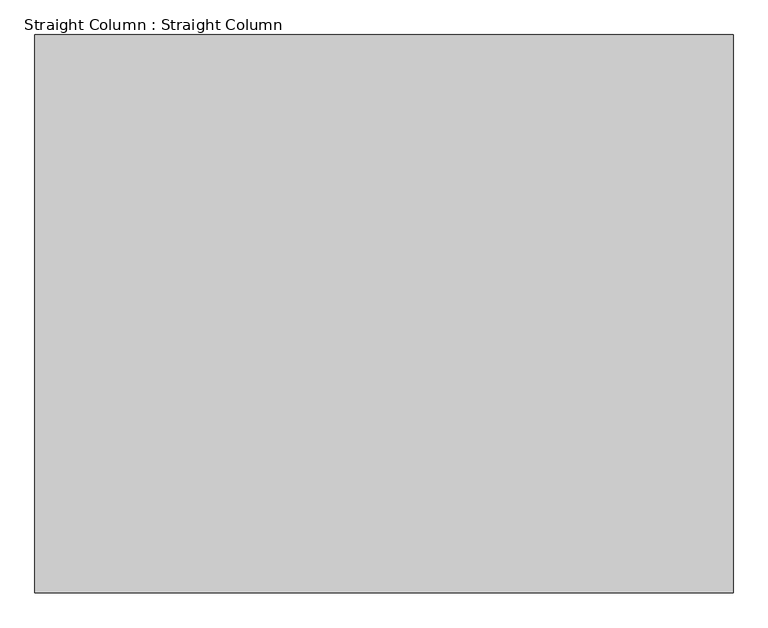
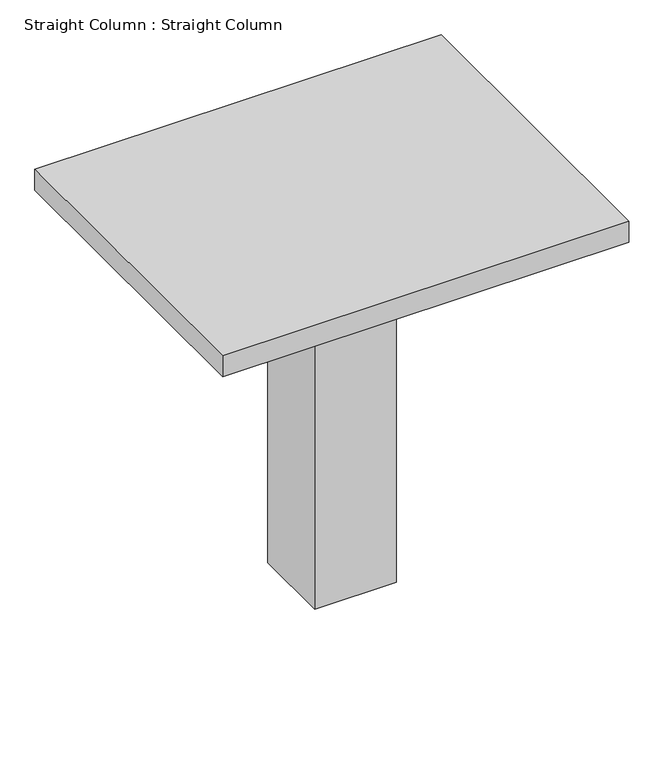
"""IFC4 building model written with IfcOpenShell, lengths in millimetres: column geometry, Straight Column : Straight Column."""

from ifc_helpers import new_model, si_unit, frame, origin, origin_with_axes, place, context, project, spatial, polyline, outline, extrude, source, transform, mapped, element, save


def straight_column_straight_column_251f4b29(model_context):
    return source(origin(), model_context, "Body", "SweptSolid", [
        extrude(outline(polyline([(11557.0015451, 22147.9747571), (11557.0015451, 19709.5747571), (8509.0015451, 19709.5747571), (8509.0015451, 22147.9747571), (11557.0015451, 22147.9747571)])), frame((0.0, 0.0, 2825.75), z_axis=(0.0, 0.0, 1.0), x_axis=(1.0, 0.0, 0.0)), (0.0, 0.0, 1.0), 165.1),
        extrude(outline(polyline([(10337.8, 21233.5747571), (10337.8, 20623.9747571), (9728.2, 20623.9747571), (9728.2, 21233.5747571), (10337.8, 21233.5747571)])), origin_with_axes(), (0.0, 0.0, 1.0), 2825.75),
    ])


if __name__ == "__main__":
    model = new_model("IFC4")
    model_context = context("Model", 3, world=origin())
    ifc_project = project(units=[si_unit("LENGTHUNIT", "METRE", prefix="MILLI")], contexts=[model_context])
    site = spatial("IfcSite", under=ifc_project)
    building = spatial("IfcBuilding", under=site)
    placement = place(None, origin())
    straight_column_straight_column_shape = straight_column_straight_column_251f4b29(model_context)
    element("IfcColumn", 1, ObjectType="Straight Column : Straight Column", at=placement, inside=building, context=model_context, shape_type="MappedRepresentation", body=[
        mapped(straight_column_straight_column_shape, transform((0.0, 0.0, 0.0), x_axis=(1.0, 0.0, 0.0), y_axis=(0.0, 1.0, 0.0), z_axis=(0.0, 0.0, 1.0))),
    ])
    save(model, "model.ifc")
